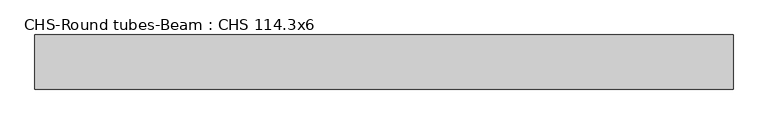
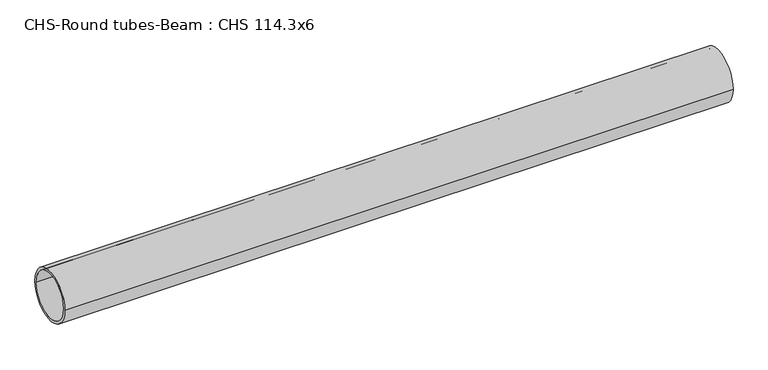
"""IFC4 building model written with IfcOpenShell, lengths in millimetres: beam geometry, CHS-Round tubes-Beam : CHS 114.3x6."""

from ifc_helpers import new_model, si_unit, point, frame, origin, origin_2d, place, context, project, spatial, circle_curve, trimmed, segment, composite_curve, outline, extrude, source, transform, mapped, element, save


def chs_round_tubes_beam_chs_114_3x6_cdc14ba5(model_context):
    return source(origin(), model_context, "Body", "SweptSolid", [
        extrude(outline(composite_curve([segment(trimmed(circle_curve(origin_2d(), 57.15), [point((57.15, 0.0))], [point((-57.15, 0.0))], False, "CARTESIAN"), True, "CONTINUOUS"), segment(trimmed(circle_curve(origin_2d(), 57.15), [point((-57.15, 0.0))], [point((57.15, 0.0))], False, "CARTESIAN"), True, "CONTINUOUS")], self_intersect=False), holes=[composite_curve([segment(trimmed(circle_curve(origin_2d(), 51.15), [point((51.15, 0.0))], [point((-51.15, 0.0))], True, "CARTESIAN"), True, "CONTINUOUS"), segment(trimmed(circle_curve(origin_2d(), 51.15), [point((-51.15, 0.0))], [point((51.15, 0.0))], True, "CARTESIAN"), True, "CONTINUOUS")], self_intersect=False)]), frame((-763.2191669, 0.0, 0.0), z_axis=(1.0, 0.0, 0.0), x_axis=(0.0, 1.0, 0.0)), (0.0, 0.0, 1.0), 1473.9687771),
    ])


if __name__ == "__main__":
    model = new_model("IFC4")
    model_context = context("Model", 3, world=origin())
    ifc_project = project(units=[si_unit("LENGTHUNIT", "METRE", prefix="MILLI")], contexts=[model_context])
    site = spatial("IfcSite", under=ifc_project)
    building = spatial("IfcBuilding", under=site)
    placement = place(None, origin())
    chs_round_tubes_beam_chs_114_3x6_shape = chs_round_tubes_beam_chs_114_3x6_cdc14ba5(model_context)
    element("IfcBeam", 1, ObjectType="CHS-Round tubes-Beam : CHS 114.3x6", at=placement, inside=building, context=model_context, shape_type="MappedRepresentation", body=[
        mapped(chs_round_tubes_beam_chs_114_3x6_shape, transform((0.0, 0.0, 0.0), x_axis=(1.0, 0.0, 0.0), y_axis=(0.0, 1.0, 0.0), z_axis=(0.0, 0.0, 1.0))),
    ])
    save(model, "model.ifc")
